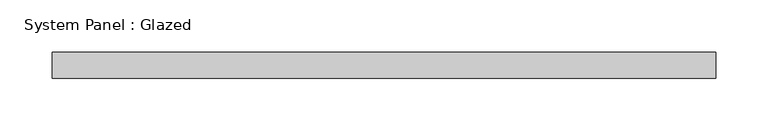
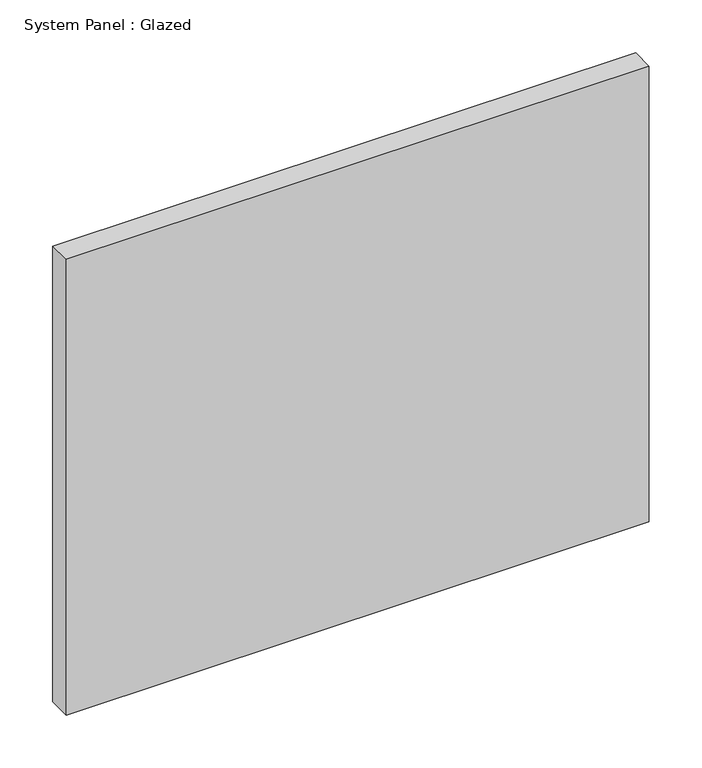
"""IFC4 building model written with IfcOpenShell, lengths in millimetres: plate geometry, System Panel : Glazed."""

from ifc_helpers import new_model, si_unit, origin, origin_with_axes, place, context, project, spatial, polyline, outline, extrude, source, transform, mapped, element, save


def system_panel_glazed_df1eb9f2(model_context):
    return source(origin(), model_context, "Body", "SweptSolid", [
        extrude(outline(polyline([(317.6681852, -49.5), (-317.6681852, -49.5), (-317.6681852, -24.5), (317.6681852, -24.5), (317.6681852, -49.5)])), origin_with_axes(), (0.0, 0.0, 1.0), 525.0),
    ])


if __name__ == "__main__":
    model = new_model("IFC4")
    model_context = context("Model", 3, world=origin())
    ifc_project = project(units=[si_unit("LENGTHUNIT", "METRE", prefix="MILLI")], contexts=[model_context])
    site = spatial("IfcSite", under=ifc_project)
    building = spatial("IfcBuilding", under=site)
    placement = place(None, origin())
    system_panel_glazed_shape = system_panel_glazed_df1eb9f2(model_context)
    element("IfcPlate", 1, ObjectType="System Panel : Glazed", at=placement, inside=building, context=model_context, shape_type="MappedRepresentation", body=[
        mapped(system_panel_glazed_shape, transform((0.0, 0.0, 0.0), x_axis=(1.0, 0.0, 0.0), y_axis=(0.0, 1.0, 0.0), z_axis=(0.0, 0.0, 1.0))),
    ])
    save(model, "model.ifc")
